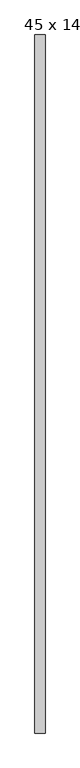
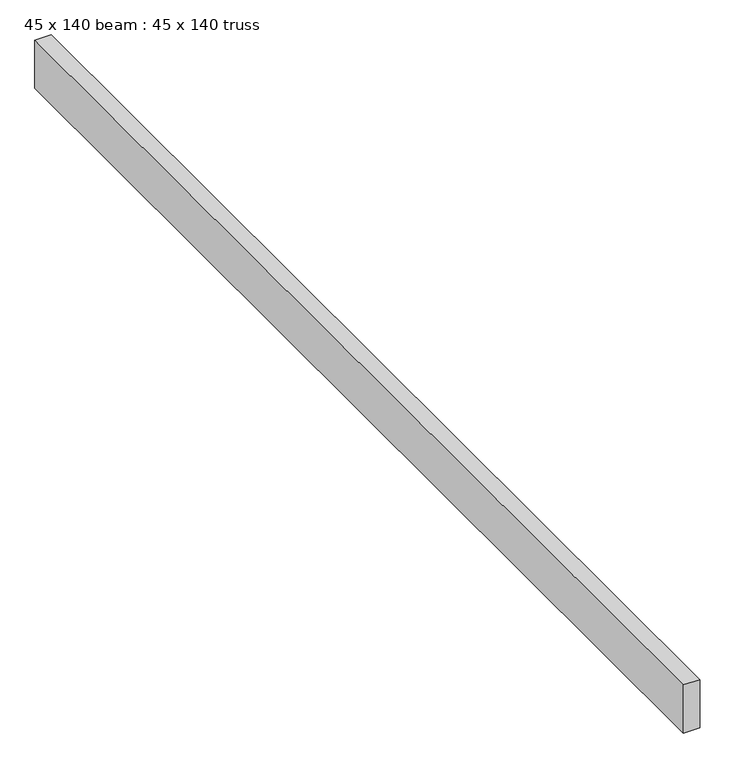
"""IFC4 building model written with IfcOpenShell, lengths in millimetres: proxy geometry, 45 x 140 beam : 45 x 140 truss."""

from ifc_helpers import new_model, si_unit, frame, origin, place, context, project, spatial, polyline, outline, extrude, source, transform, mapped, element, save


def proxy_45_x_140_beam_45_x_140_truss_abf43289(model_context):
    return source(origin(), model_context, "Body", "SweptSolid", [
        extrude(outline(polyline([(-11599.3841468, -1338.3711554), (-11644.3841468, -1338.3711554), (-11644.3841468, 1751.6288446), (-11599.3841468, 1751.6288446), (-11599.3841468, -1338.3711554)])), frame((0.0, 0.0, 3644.2452806), z_axis=(0.0, 0.0, 1.0), x_axis=(1.0, 0.0, 0.0)), (0.0, 0.0, 1.0), 140.0),
    ])


if __name__ == "__main__":
    model = new_model("IFC4")
    model_context = context("Model", 3, world=origin())
    ifc_project = project(units=[si_unit("LENGTHUNIT", "METRE", prefix="MILLI")], contexts=[model_context])
    site = spatial("IfcSite", under=ifc_project)
    building = spatial("IfcBuilding", under=site)
    placement = place(None, origin())
    proxy_45_x_140_beam_45_x_140_truss_shape = proxy_45_x_140_beam_45_x_140_truss_abf43289(model_context)
    element("IfcBuildingElementProxy", 1, Name="45 x 140 beam : 45 x 140 truss", ObjectType="45 x 140 beam : 45 x 140 truss", at=placement, inside=building, context=model_context, shape_type="MappedRepresentation", body=[
        mapped(proxy_45_x_140_beam_45_x_140_truss_shape, transform((0.0, 0.0, 0.0), x_axis=(1.0, 0.0, 0.0), y_axis=(0.0, 1.0, 0.0), z_axis=(0.0, 0.0, 1.0))),
    ])
    save(model, "model.ifc")
